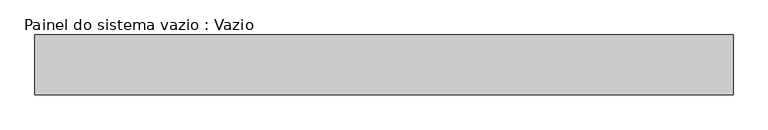
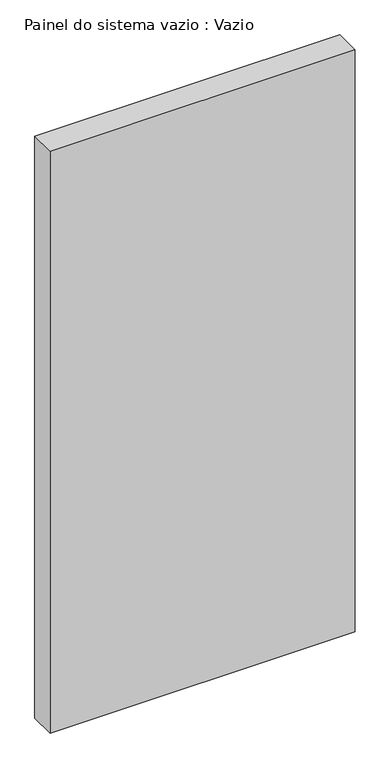
"""IFC4 building model written with IfcOpenShell, lengths in millimetres: plate geometry, Painel do sistema vazio : Vazio."""

from ifc_helpers import new_model, si_unit, origin, origin_with_axes, place, context, project, spatial, polyline, outline, extrude, source, transform, mapped, element, save


def painel_do_sistema_vazio_vazio_07c5effe(model_context):
    return source(origin(), model_context, "Body", "SweptSolid", [
        extrude(outline(polyline([(582.5, -50.0), (-582.5, -50.0), (-582.5, 50.0), (582.5, 50.0), (582.5, -50.0)])), origin_with_axes(), (0.0, 0.0, 1.0), 2347.5),
    ])


if __name__ == "__main__":
    model = new_model("IFC4")
    model_context = context("Model", 3, world=origin())
    ifc_project = project(units=[si_unit("LENGTHUNIT", "METRE", prefix="MILLI")], contexts=[model_context])
    site = spatial("IfcSite", under=ifc_project)
    building = spatial("IfcBuilding", under=site)
    placement = place(None, origin())
    painel_do_sistema_vazio_vazio_shape = painel_do_sistema_vazio_vazio_07c5effe(model_context)
    element("IfcPlate", 1, ObjectType="Painel do sistema vazio : Vazio", at=placement, inside=building, context=model_context, shape_type="MappedRepresentation", body=[
        mapped(painel_do_sistema_vazio_vazio_shape, transform((0.0, 0.0, 0.0), x_axis=(1.0, 0.0, 0.0), y_axis=(0.0, 1.0, 0.0), z_axis=(0.0, 0.0, 1.0))),
    ])
    save(model, "model.ifc")
